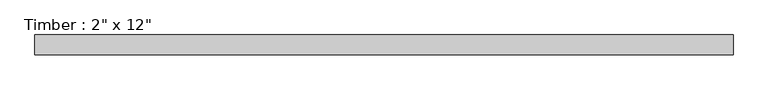
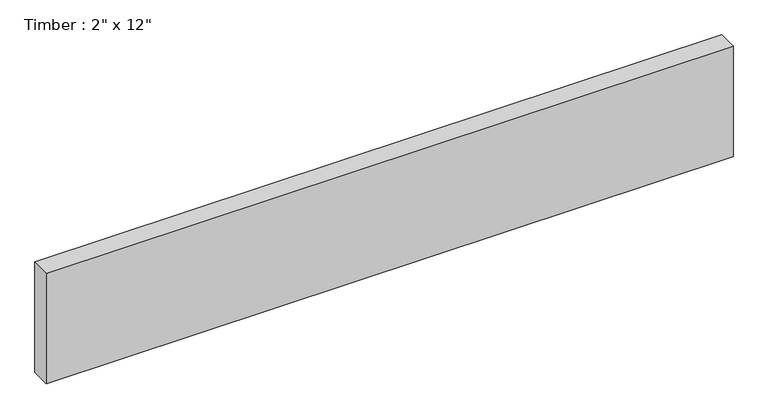
"""IFC4 building model written with IfcOpenShell, lengths in millimetres: beam geometry."""

from ifc_helpers import new_model, si_unit, frame, origin, place, context, project, spatial, polyline, outline, extrude, source, transform, mapped, element, save


def beam_8e1e7da0(model_context):
    return source(origin(), model_context, "Body", "SweptSolid", [
        extrude(outline(polyline([(895.4073431, 25.4), (895.4073431, -25.4), (-895.4073431, -25.4), (-895.4073431, 25.4), (895.4073431, 25.4)])), frame((0.0, 0.0, -152.4), z_axis=(0.0, 0.0, 1.0), x_axis=(1.0, 0.0, 0.0)), (0.0, 0.0, 1.0), 304.8),
    ])


if __name__ == "__main__":
    model = new_model("IFC4")
    model_context = context("Model", 3, world=origin())
    ifc_project = project(units=[si_unit("LENGTHUNIT", "METRE", prefix="MILLI")], contexts=[model_context])
    site = spatial("IfcSite", under=ifc_project)
    building = spatial("IfcBuilding", under=site)
    placement = place(None, origin())
    beam_shape = beam_8e1e7da0(model_context)
    element("IfcBeam", 1, ObjectType="Timber : 2\" x 12\"", at=placement, inside=building, context=model_context, shape_type="MappedRepresentation", body=[
        mapped(beam_shape, transform((0.0, 0.0, 0.0), x_axis=(1.0, 0.0, 0.0), y_axis=(0.0, 1.0, 0.0), z_axis=(0.0, 0.0, 1.0))),
    ])
    save(model, "model.ifc")
